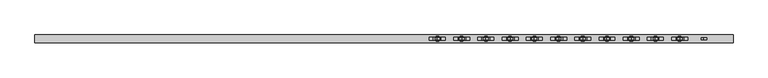
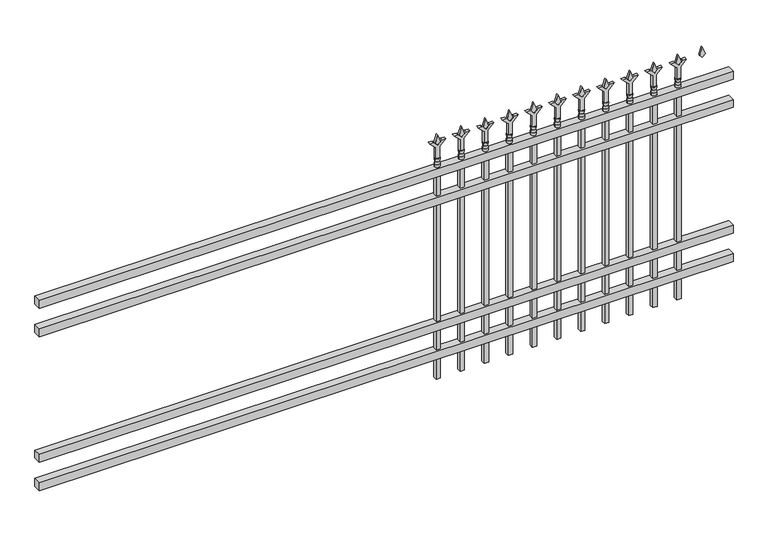
"""IFC4 building model written with IfcOpenShell, lengths in millimetres: railing geometry."""

from ifc_helpers import new_model, si_unit, frame, origin, place, context, project, spatial, polyline, circle_curve, outline, extrude, source, transform, mapped, element, save
from ifc_brep_helpers import plane_surface, cylinder_surface, revolved_surface, advanced_brep


def railing_15d63360(model_context):
    return source(origin(), model_context, "Body", "SolidModel", [
        extrude(outline(polyline([(-79633.318087, -9187.1195174), (-79633.318087, -9152.1945174), (-76483.718087, -9152.1945174), (-76483.718087, -9187.1195174), (-79633.318087, -9187.1195174)])), frame((0.0, 0.0, 1028.7), z_axis=(0.0, 0.0, 1.0), x_axis=(1.0, 0.0, 0.0)), (0.0, 0.0, 1.0), 38.1),
        extrude(outline(polyline([(-79633.318087, -9187.1195174), (-79633.318087, -9152.1945174), (-76483.718087, -9152.1945174), (-76483.718087, -9187.1195174), (-79633.318087, -9187.1195174)])), frame((0.0, 0.0, 892.175), z_axis=(0.0, 0.0, 1.0), x_axis=(1.0, 0.0, 0.0)), (0.0, 0.0, 1.0), 38.1),
        extrude(outline(polyline([(-79633.318087, -9187.1195174), (-79633.318087, -9152.1945174), (-76483.718087, -9152.1945174), (-76483.718087, -9187.1195174), (-79633.318087, -9187.1195174)])), frame((0.0, 0.0, 288.925), z_axis=(0.0, 0.0, 1.0), x_axis=(1.0, 0.0, 0.0)), (0.0, 0.0, 1.0), 38.1),
        extrude(outline(polyline([(-79633.318087, -9187.1195174), (-79633.318087, -9152.1945174), (-76483.718087, -9152.1945174), (-76483.718087, -9187.1195174), (-79633.318087, -9187.1195174)])), frame((0.0, 0.0, 152.4), z_axis=(0.0, 0.0, 1.0), x_axis=(1.0, 0.0, 0.0)), (0.0, 0.0, 1.0), 38.1),
        extrude(outline(polyline([(1183.48125, -76712.8472536), (1219.2, -76724.7535036), (1183.48125, -76736.6597536), (1171.575, -76724.7535036), (1183.48125, -76712.8472536)])), frame((0.0, -9174.4195174, 0.0), z_axis=(0.0, 1.0, 0.0), x_axis=(0.0, 0.0, 1.0)), (0.0, 0.0, 1.0), 9.525),
        extrude(outline(polyline([(1108.075, -76716.0222536), (1162.3457378, -76716.0222536), (1189.5355122, -76688.8324791), (1189.5355122, -76706.7929914), (1171.575, -76724.7535036), (1189.5355122, -76742.7140159), (1189.5355122, -76760.6745281), (1162.3457378, -76733.4847536), (1108.075, -76733.4847536), (1108.075, -76716.0222536)])), frame((0.0, -9176.0070174, 0.0), z_axis=(0.0, 1.0, 0.0), x_axis=(0.0, 0.0, 1.0)), (0.0, 0.0, 1.0), 12.7),
        advanced_brep(
        [(-76712.8472536, -9169.6570174, 1079.5), (-76736.6597536, -9169.6570174, 1079.5), (-76736.6597536, -9169.6570174, 1066.8), (-76712.8472536, -9169.6570174, 1066.8), (-76715.0525855, -9169.6570174, 1092.0070585), (-76734.4544218, -9169.6570174, 1092.0070585), (-76712.8472536, -9169.6570174, 1108.075), (-76736.6597536, -9169.6570174, 1108.075), (-76724.7535036, -9169.6570174, 1108.075), (-76724.7535036, -9169.6570174, 1066.8)],
        [
            (0, 1, circle_curve(frame((-76724.7535036, -9169.6570174, 1079.5), z_axis=(0.0, 0.0, -1.0), x_axis=(-1.0, 0.0, 0.0)), 11.90625)),
            (1, 2),
            (2, 3, circle_curve(frame((-76724.7535036, -9169.6570174, 1066.8), z_axis=(0.0, 0.0, 1.0), x_axis=(-1.0, 0.0, 0.0)), 11.90625)),
            (3, 0),
            (1, 0, circle_curve(frame((-76724.7535036, -9169.6570174, 1079.5), z_axis=(0.0, 0.0, -1.0), x_axis=(-1.0, 0.0, 0.0)), 11.90625)),
            (3, 2, circle_curve(frame((-76724.7535036, -9169.6570174, 1066.8), z_axis=(0.0, 0.0, 1.0), x_axis=(-1.0, 0.0, 0.0)), 11.90625)),
            (4, 5, circle_curve(frame((-76724.7535036, -9169.6570174, 1092.0070585), z_axis=(0.0, 0.0, -1.0), x_axis=(-1.0, 0.0, 0.0)), 9.7009181)),
            (5, 1),
            (0, 4),
            (5, 4, circle_curve(frame((-76724.7535036, -9169.6570174, 1092.0070585), z_axis=(0.0, 0.0, -1.0), x_axis=(-1.0, 0.0, 0.0)), 9.7009181)),
            (6, 7, circle_curve(frame((-76724.7535036, -9169.6570174, 1108.075), z_axis=(0.0, 0.0, -1.0), x_axis=(-1.0, 0.0, 0.0)), 11.90625)),
            (7, 5),
            (4, 6),
            (7, 6, circle_curve(frame((-76724.7535036, -9169.6570174, 1108.075), z_axis=(0.0, 0.0, -1.0), x_axis=(-1.0, 0.0, 0.0)), 11.90625)),
            (8, 7),
            (6, 8),
            (2, 9),
            (9, 3),
        ],
        [
            cylinder_surface(frame((-76724.7535036, -9169.6570174, 1066.8), z_axis=(0.0, 0.0, 1.0), x_axis=(-1.0, 0.0, 0.0)), 11.90625),
            revolved_surface(polyline([(-76736.6597536, -9169.6570174, 1079.5), (-76734.4544218, -9169.6570174, 1092.0070585)]), (-76724.7535036, -9169.6570174, 1066.8), (0.0, 0.0, 1.0)),
            revolved_surface(polyline([(-76734.4544218, -9169.6570174, 1092.0070585), (-76736.6597536, -9169.6570174, 1108.075)]), (-76724.7535036, -9169.6570174, 1066.8), (0.0, 0.0, 1.0)),
            plane_surface(frame((-76724.7535036, -9169.6570174, 1108.075), z_axis=(0.0, 0.0, 1.0), x_axis=(-1.0, 0.0, 0.0))),
            plane_surface(frame((-76724.7535036, -9169.6570174, 1066.8), z_axis=(0.0, 0.0, -1.0), x_axis=(-1.0, 0.0, 0.0))),
        ],
        [
            (0, [[1, 2, 3, 4]]),
            (0, [[5, -4, 6, -2]]),
            (1, [[7, 8, -1, 9]]),
            (1, [[10, -9, -5, -8]]),
            (2, [[11, 12, -7, 13]]),
            (2, [[14, -13, -10, -12]]),
            (3, [[15, -11, 16]]),
            (3, [[-16, -14, -15]]),
            (4, [[-3, 17, 18]]),
            (4, [[-6, -18, -17]]),
        ],
    ),
        extrude(outline(polyline([(-76734.2785036, -9160.1320174), (-76715.2285036, -9160.1320174), (-76715.2285036, -9179.1820174), (-76734.2785036, -9179.1820174), (-76734.2785036, -9160.1320174)])), frame((0.0, 0.0, 50.8), z_axis=(0.0, 0.0, 1.0), x_axis=(1.0, 0.0, 0.0)), (0.0, 0.0, 1.0), 1016.0),
        extrude(outline(polyline([(1183.48125, -76822.1201703), (1219.2, -76834.0264203), (1183.48125, -76845.9326703), (1171.575, -76834.0264203), (1183.48125, -76822.1201703)])), frame((0.0, -9174.4195174, 0.0), z_axis=(0.0, 1.0, 0.0), x_axis=(0.0, 0.0, 1.0)), (0.0, 0.0, 1.0), 9.525),
        extrude(outline(polyline([(1108.075, -76825.2951703), (1162.3457378, -76825.2951703), (1189.5355122, -76798.1053958), (1189.5355122, -76816.0659081), (1171.575, -76834.0264203), (1189.5355122, -76851.9869325), (1189.5355122, -76869.9474448), (1162.3457378, -76842.7576703), (1108.075, -76842.7576703), (1108.075, -76825.2951703)])), frame((0.0, -9176.0070174, 0.0), z_axis=(0.0, 1.0, 0.0), x_axis=(0.0, 0.0, 1.0)), (0.0, 0.0, 1.0), 12.7),
        advanced_brep(
        [(-76822.1201703, -9169.6570174, 1079.5), (-76845.9326703, -9169.6570174, 1079.5), (-76845.9326703, -9169.6570174, 1066.8), (-76822.1201703, -9169.6570174, 1066.8), (-76824.3255022, -9169.6570174, 1092.0070585), (-76843.7273384, -9169.6570174, 1092.0070585), (-76822.1201703, -9169.6570174, 1108.075), (-76845.9326703, -9169.6570174, 1108.075), (-76834.0264203, -9169.6570174, 1108.075), (-76834.0264203, -9169.6570174, 1066.8)],
        [
            (0, 1, circle_curve(frame((-76834.0264203, -9169.6570174, 1079.5), z_axis=(0.0, 0.0, -1.0), x_axis=(-1.0, 0.0, 0.0)), 11.90625)),
            (1, 2),
            (2, 3, circle_curve(frame((-76834.0264203, -9169.6570174, 1066.8), z_axis=(0.0, 0.0, 1.0), x_axis=(-1.0, 0.0, 0.0)), 11.90625)),
            (3, 0),
            (1, 0, circle_curve(frame((-76834.0264203, -9169.6570174, 1079.5), z_axis=(0.0, 0.0, -1.0), x_axis=(-1.0, 0.0, 0.0)), 11.90625)),
            (3, 2, circle_curve(frame((-76834.0264203, -9169.6570174, 1066.8), z_axis=(0.0, 0.0, 1.0), x_axis=(-1.0, 0.0, 0.0)), 11.90625)),
            (4, 5, circle_curve(frame((-76834.0264203, -9169.6570174, 1092.0070585), z_axis=(0.0, 0.0, -1.0), x_axis=(-1.0, 0.0, 0.0)), 9.7009181)),
            (5, 1),
            (0, 4),
            (5, 4, circle_curve(frame((-76834.0264203, -9169.6570174, 1092.0070585), z_axis=(0.0, 0.0, -1.0), x_axis=(-1.0, 0.0, 0.0)), 9.7009181)),
            (6, 7, circle_curve(frame((-76834.0264203, -9169.6570174, 1108.075), z_axis=(0.0, 0.0, -1.0), x_axis=(-1.0, 0.0, 0.0)), 11.90625)),
            (7, 5),
            (4, 6),
            (7, 6, circle_curve(frame((-76834.0264203, -9169.6570174, 1108.075), z_axis=(0.0, 0.0, -1.0), x_axis=(-1.0, 0.0, 0.0)), 11.90625)),
            (8, 7),
            (6, 8),
            (2, 9),
            (9, 3),
        ],
        [
            cylinder_surface(frame((-76834.0264203, -9169.6570174, 1066.8), z_axis=(0.0, 0.0, 1.0), x_axis=(-1.0, 0.0, 0.0)), 11.90625),
            revolved_surface(polyline([(-76845.9326703, -9169.6570174, 1079.5), (-76843.7273384, -9169.6570174, 1092.0070585)]), (-76834.0264203, -9169.6570174, 1066.8), (0.0, 0.0, 1.0)),
            revolved_surface(polyline([(-76843.7273384, -9169.6570174, 1092.0070585), (-76845.9326703, -9169.6570174, 1108.075)]), (-76834.0264203, -9169.6570174, 1066.8), (0.0, 0.0, 1.0)),
            plane_surface(frame((-76834.0264203, -9169.6570174, 1108.075), z_axis=(0.0, 0.0, 1.0), x_axis=(-1.0, 0.0, 0.0))),
            plane_surface(frame((-76834.0264203, -9169.6570174, 1066.8), z_axis=(0.0, 0.0, -1.0), x_axis=(-1.0, 0.0, 0.0))),
        ],
        [
            (0, [[1, 2, 3, 4]]),
            (0, [[5, -4, 6, -2]]),
            (1, [[7, 8, -1, 9]]),
            (1, [[10, -9, -5, -8]]),
            (2, [[11, 12, -7, 13]]),
            (2, [[14, -13, -10, -12]]),
            (3, [[15, -11, 16]]),
            (3, [[-16, -14, -15]]),
            (4, [[-3, 17, 18]]),
            (4, [[-6, -18, -17]]),
        ],
    ),
        extrude(outline(polyline([(-76843.5514203, -9160.1320174), (-76824.5014203, -9160.1320174), (-76824.5014203, -9179.1820174), (-76843.5514203, -9179.1820174), (-76843.5514203, -9160.1320174)])), frame((0.0, 0.0, 50.8), z_axis=(0.0, 0.0, 1.0), x_axis=(1.0, 0.0, 0.0)), (0.0, 0.0, 1.0), 1016.0),
        extrude(outline(polyline([(1183.48125, -76931.393087), (1219.2, -76943.299337), (1183.48125, -76955.205587), (1171.575, -76943.299337), (1183.48125, -76931.393087)])), frame((0.0, -9174.4195174, 0.0), z_axis=(0.0, 1.0, 0.0), x_axis=(0.0, 0.0, 1.0)), (0.0, 0.0, 1.0), 9.525),
        extrude(outline(polyline([(1108.075, -76934.568087), (1162.3457378, -76934.568087), (1189.5355122, -76907.3783125), (1189.5355122, -76925.3388247), (1171.575, -76943.299337), (1189.5355122, -76961.2598492), (1189.5355122, -76979.2203614), (1162.3457378, -76952.030587), (1108.075, -76952.030587), (1108.075, -76934.568087)])), frame((0.0, -9176.0070174, 0.0), z_axis=(0.0, 1.0, 0.0), x_axis=(0.0, 0.0, 1.0)), (0.0, 0.0, 1.0), 12.7),
        advanced_brep(
        [(-76931.393087, -9169.6570174, 1079.5), (-76955.205587, -9169.6570174, 1079.5), (-76955.205587, -9169.6570174, 1066.8), (-76931.393087, -9169.6570174, 1066.8), (-76933.5984188, -9169.6570174, 1092.0070585), (-76953.0002551, -9169.6570174, 1092.0070585), (-76931.393087, -9169.6570174, 1108.075), (-76955.205587, -9169.6570174, 1108.075), (-76943.299337, -9169.6570174, 1108.075), (-76943.299337, -9169.6570174, 1066.8)],
        [
            (0, 1, circle_curve(frame((-76943.299337, -9169.6570174, 1079.5), z_axis=(0.0, 0.0, -1.0), x_axis=(-1.0, 0.0, 0.0)), 11.90625)),
            (1, 2),
            (2, 3, circle_curve(frame((-76943.299337, -9169.6570174, 1066.8), z_axis=(0.0, 0.0, 1.0), x_axis=(-1.0, 0.0, 0.0)), 11.90625)),
            (3, 0),
            (1, 0, circle_curve(frame((-76943.299337, -9169.6570174, 1079.5), z_axis=(0.0, 0.0, -1.0), x_axis=(-1.0, 0.0, 0.0)), 11.90625)),
            (3, 2, circle_curve(frame((-76943.299337, -9169.6570174, 1066.8), z_axis=(0.0, 0.0, 1.0), x_axis=(-1.0, 0.0, 0.0)), 11.90625)),
            (4, 5, circle_curve(frame((-76943.299337, -9169.6570174, 1092.0070585), z_axis=(0.0, 0.0, -1.0), x_axis=(-1.0, 0.0, 0.0)), 9.7009181)),
            (5, 1),
            (0, 4),
            (5, 4, circle_curve(frame((-76943.299337, -9169.6570174, 1092.0070585), z_axis=(0.0, 0.0, -1.0), x_axis=(-1.0, 0.0, 0.0)), 9.7009181)),
            (6, 7, circle_curve(frame((-76943.299337, -9169.6570174, 1108.075), z_axis=(0.0, 0.0, -1.0), x_axis=(-1.0, 0.0, 0.0)), 11.90625)),
            (7, 5),
            (4, 6),
            (7, 6, circle_curve(frame((-76943.299337, -9169.6570174, 1108.075), z_axis=(0.0, 0.0, -1.0), x_axis=(-1.0, 0.0, 0.0)), 11.90625)),
            (8, 7),
            (6, 8),
            (2, 9),
            (9, 3),
        ],
        [
            cylinder_surface(frame((-76943.299337, -9169.6570174, 1066.8), z_axis=(0.0, 0.0, 1.0), x_axis=(-1.0, 0.0, 0.0)), 11.90625),
            revolved_surface(polyline([(-76955.205587, -9169.6570174, 1079.5), (-76953.0002551, -9169.6570174, 1092.0070585)]), (-76943.299337, -9169.6570174, 1066.8), (0.0, 0.0, 1.0)),
            revolved_surface(polyline([(-76953.0002551, -9169.6570174, 1092.0070585), (-76955.205587, -9169.6570174, 1108.075)]), (-76943.299337, -9169.6570174, 1066.8), (0.0, 0.0, 1.0)),
            plane_surface(frame((-76943.299337, -9169.6570174, 1108.075), z_axis=(0.0, 0.0, 1.0), x_axis=(-1.0, 0.0, 0.0))),
            plane_surface(frame((-76943.299337, -9169.6570174, 1066.8), z_axis=(0.0, 0.0, -1.0), x_axis=(-1.0, 0.0, 0.0))),
        ],
        [
            (0, [[1, 2, 3, 4]]),
            (0, [[5, -4, 6, -2]]),
            (1, [[7, 8, -1, 9]]),
            (1, [[10, -9, -5, -8]]),
            (2, [[11, 12, -7, 13]]),
            (2, [[14, -13, -10, -12]]),
            (3, [[15, -11, 16]]),
            (3, [[-16, -14, -15]]),
            (4, [[-3, 17, 18]]),
            (4, [[-6, -18, -17]]),
        ],
    ),
        extrude(outline(polyline([(-76952.824337, -9160.1320174), (-76933.774337, -9160.1320174), (-76933.774337, -9179.1820174), (-76952.824337, -9179.1820174), (-76952.824337, -9160.1320174)])), frame((0.0, 0.0, 50.8), z_axis=(0.0, 0.0, 1.0), x_axis=(1.0, 0.0, 0.0)), (0.0, 0.0, 1.0), 1016.0),
        extrude(outline(polyline([(1183.48125, -77040.6660036), (1219.2, -77052.5722536), (1183.48125, -77064.4785036), (1171.575, -77052.5722536), (1183.48125, -77040.6660036)])), frame((0.0, -9174.4195174, 0.0), z_axis=(0.0, 1.0, 0.0), x_axis=(0.0, 0.0, 1.0)), (0.0, 0.0, 1.0), 9.525),
        extrude(outline(polyline([(1108.075, -77043.8410036), (1162.3457378, -77043.8410036), (1189.5355122, -77016.6512291), (1189.5355122, -77034.6117414), (1171.575, -77052.5722536), (1189.5355122, -77070.5327659), (1189.5355122, -77088.4932781), (1162.3457378, -77061.3035036), (1108.075, -77061.3035036), (1108.075, -77043.8410036)])), frame((0.0, -9176.0070174, 0.0), z_axis=(0.0, 1.0, 0.0), x_axis=(0.0, 0.0, 1.0)), (0.0, 0.0, 1.0), 12.7),
        advanced_brep(
        [(-77040.6660036, -9169.6570174, 1079.5), (-77064.4785036, -9169.6570174, 1079.5), (-77064.4785036, -9169.6570174, 1066.8), (-77040.6660036, -9169.6570174, 1066.8), (-77042.8713355, -9169.6570174, 1092.0070585), (-77062.2731718, -9169.6570174, 1092.0070585), (-77040.6660036, -9169.6570174, 1108.075), (-77064.4785036, -9169.6570174, 1108.075), (-77052.5722536, -9169.6570174, 1108.075), (-77052.5722536, -9169.6570174, 1066.8)],
        [
            (0, 1, circle_curve(frame((-77052.5722536, -9169.6570174, 1079.5), z_axis=(0.0, 0.0, -1.0), x_axis=(-1.0, 0.0, 0.0)), 11.90625)),
            (1, 2),
            (2, 3, circle_curve(frame((-77052.5722536, -9169.6570174, 1066.8), z_axis=(0.0, 0.0, 1.0), x_axis=(-1.0, 0.0, 0.0)), 11.90625)),
            (3, 0),
            (1, 0, circle_curve(frame((-77052.5722536, -9169.6570174, 1079.5), z_axis=(0.0, 0.0, -1.0), x_axis=(-1.0, 0.0, 0.0)), 11.90625)),
            (3, 2, circle_curve(frame((-77052.5722536, -9169.6570174, 1066.8), z_axis=(0.0, 0.0, 1.0), x_axis=(-1.0, 0.0, 0.0)), 11.90625)),
            (4, 5, circle_curve(frame((-77052.5722536, -9169.6570174, 1092.0070585), z_axis=(0.0, 0.0, -1.0), x_axis=(-1.0, 0.0, 0.0)), 9.7009181)),
            (5, 1),
            (0, 4),
            (5, 4, circle_curve(frame((-77052.5722536, -9169.6570174, 1092.0070585), z_axis=(0.0, 0.0, -1.0), x_axis=(-1.0, 0.0, 0.0)), 9.7009181)),
            (6, 7, circle_curve(frame((-77052.5722536, -9169.6570174, 1108.075), z_axis=(0.0, 0.0, -1.0), x_axis=(-1.0, 0.0, 0.0)), 11.90625)),
            (7, 5),
            (4, 6),
            (7, 6, circle_curve(frame((-77052.5722536, -9169.6570174, 1108.075), z_axis=(0.0, 0.0, -1.0), x_axis=(-1.0, 0.0, 0.0)), 11.90625)),
            (8, 7),
            (6, 8),
            (2, 9),
            (9, 3),
        ],
        [
            cylinder_surface(frame((-77052.5722536, -9169.6570174, 1066.8), z_axis=(0.0, 0.0, 1.0), x_axis=(-1.0, 0.0, 0.0)), 11.90625),
            revolved_surface(polyline([(-77064.4785036, -9169.6570174, 1079.5), (-77062.2731718, -9169.6570174, 1092.0070585)]), (-77052.5722536, -9169.6570174, 1066.8), (0.0, 0.0, 1.0)),
            revolved_surface(polyline([(-77062.2731718, -9169.6570174, 1092.0070585), (-77064.4785036, -9169.6570174, 1108.075)]), (-77052.5722536, -9169.6570174, 1066.8), (0.0, 0.0, 1.0)),
            plane_surface(frame((-77052.5722536, -9169.6570174, 1108.075), z_axis=(0.0, 0.0, 1.0), x_axis=(-1.0, 0.0, 0.0))),
            plane_surface(frame((-77052.5722536, -9169.6570174, 1066.8), z_axis=(0.0, 0.0, -1.0), x_axis=(-1.0, 0.0, 0.0))),
        ],
        [
            (0, [[1, 2, 3, 4]]),
            (0, [[5, -4, 6, -2]]),
            (1, [[7, 8, -1, 9]]),
            (1, [[10, -9, -5, -8]]),
            (2, [[11, 12, -7, 13]]),
            (2, [[14, -13, -10, -12]]),
            (3, [[15, -11, 16]]),
            (3, [[-16, -14, -15]]),
            (4, [[-3, 17, 18]]),
            (4, [[-6, -18, -17]]),
        ],
    ),
        extrude(outline(polyline([(-77062.0972536, -9160.1320174), (-77043.0472536, -9160.1320174), (-77043.0472536, -9179.1820174), (-77062.0972536, -9179.1820174), (-77062.0972536, -9160.1320174)])), frame((0.0, 0.0, 50.8), z_axis=(0.0, 0.0, 1.0), x_axis=(1.0, 0.0, 0.0)), (0.0, 0.0, 1.0), 1016.0),
        extrude(outline(polyline([(1183.48125, -77149.9389203), (1219.2, -77161.8451703), (1183.48125, -77173.7514203), (1171.575, -77161.8451703), (1183.48125, -77149.9389203)])), frame((0.0, -9174.4195174, 0.0), z_axis=(0.0, 1.0, 0.0), x_axis=(0.0, 0.0, 1.0)), (0.0, 0.0, 1.0), 9.525),
        extrude(outline(polyline([(1108.075, -77153.1139203), (1162.3457378, -77153.1139203), (1189.5355122, -77125.9241458), (1189.5355122, -77143.8846581), (1171.575, -77161.8451703), (1189.5355122, -77179.8056825), (1189.5355122, -77197.7661948), (1162.3457378, -77170.5764203), (1108.075, -77170.5764203), (1108.075, -77153.1139203)])), frame((0.0, -9176.0070174, 0.0), z_axis=(0.0, 1.0, 0.0), x_axis=(0.0, 0.0, 1.0)), (0.0, 0.0, 1.0), 12.7),
        advanced_brep(
        [(-77149.9389203, -9169.6570174, 1079.5), (-77173.7514203, -9169.6570174, 1079.5), (-77173.7514203, -9169.6570174, 1066.8), (-77149.9389203, -9169.6570174, 1066.8), (-77152.1442522, -9169.6570174, 1092.0070585), (-77171.5460884, -9169.6570174, 1092.0070585), (-77149.9389203, -9169.6570174, 1108.075), (-77173.7514203, -9169.6570174, 1108.075), (-77161.8451703, -9169.6570174, 1108.075), (-77161.8451703, -9169.6570174, 1066.8)],
        [
            (0, 1, circle_curve(frame((-77161.8451703, -9169.6570174, 1079.5), z_axis=(0.0, 0.0, -1.0), x_axis=(-1.0, 0.0, 0.0)), 11.90625)),
            (1, 2),
            (2, 3, circle_curve(frame((-77161.8451703, -9169.6570174, 1066.8), z_axis=(0.0, 0.0, 1.0), x_axis=(-1.0, 0.0, 0.0)), 11.90625)),
            (3, 0),
            (1, 0, circle_curve(frame((-77161.8451703, -9169.6570174, 1079.5), z_axis=(0.0, 0.0, -1.0), x_axis=(-1.0, 0.0, 0.0)), 11.90625)),
            (3, 2, circle_curve(frame((-77161.8451703, -9169.6570174, 1066.8), z_axis=(0.0, 0.0, 1.0), x_axis=(-1.0, 0.0, 0.0)), 11.90625)),
            (4, 5, circle_curve(frame((-77161.8451703, -9169.6570174, 1092.0070585), z_axis=(0.0, 0.0, -1.0), x_axis=(-1.0, 0.0, 0.0)), 9.7009181)),
            (5, 1),
            (0, 4),
            (5, 4, circle_curve(frame((-77161.8451703, -9169.6570174, 1092.0070585), z_axis=(0.0, 0.0, -1.0), x_axis=(-1.0, 0.0, 0.0)), 9.7009181)),
            (6, 7, circle_curve(frame((-77161.8451703, -9169.6570174, 1108.075), z_axis=(0.0, 0.0, -1.0), x_axis=(-1.0, 0.0, 0.0)), 11.90625)),
            (7, 5),
            (4, 6),
            (7, 6, circle_curve(frame((-77161.8451703, -9169.6570174, 1108.075), z_axis=(0.0, 0.0, -1.0), x_axis=(-1.0, 0.0, 0.0)), 11.90625)),
            (8, 7),
            (6, 8),
            (2, 9),
            (9, 3),
        ],
        [
            cylinder_surface(frame((-77161.8451703, -9169.6570174, 1066.8), z_axis=(0.0, 0.0, 1.0), x_axis=(-1.0, 0.0, 0.0)), 11.90625),
            revolved_surface(polyline([(-77173.7514203, -9169.6570174, 1079.5), (-77171.5460884, -9169.6570174, 1092.0070585)]), (-77161.8451703, -9169.6570174, 1066.8), (0.0, 0.0, 1.0)),
            revolved_surface(polyline([(-77171.5460884, -9169.6570174, 1092.0070585), (-77173.7514203, -9169.6570174, 1108.075)]), (-77161.8451703, -9169.6570174, 1066.8), (0.0, 0.0, 1.0)),
            plane_surface(frame((-77161.8451703, -9169.6570174, 1108.075), z_axis=(0.0, 0.0, 1.0), x_axis=(-1.0, 0.0, 0.0))),
            plane_surface(frame((-77161.8451703, -9169.6570174, 1066.8), z_axis=(0.0, 0.0, -1.0), x_axis=(-1.0, 0.0, 0.0))),
        ],
        [
            (0, [[1, 2, 3, 4]]),
            (0, [[5, -4, 6, -2]]),
            (1, [[7, 8, -1, 9]]),
            (1, [[10, -9, -5, -8]]),
            (2, [[11, 12, -7, 13]]),
            (2, [[14, -13, -10, -12]]),
            (3, [[15, -11, 16]]),
            (3, [[-16, -14, -15]]),
            (4, [[-3, 17, 18]]),
            (4, [[-6, -18, -17]]),
        ],
    ),
        extrude(outline(polyline([(-77171.3701703, -9160.1320174), (-77152.3201703, -9160.1320174), (-77152.3201703, -9179.1820174), (-77171.3701703, -9179.1820174), (-77171.3701703, -9160.1320174)])), frame((0.0, 0.0, 50.8), z_axis=(0.0, 0.0, 1.0), x_axis=(1.0, 0.0, 0.0)), (0.0, 0.0, 1.0), 1016.0),
        extrude(outline(polyline([(1183.48125, -77259.211837), (1219.2, -77271.118087), (1183.48125, -77283.024337), (1171.575, -77271.118087), (1183.48125, -77259.211837)])), frame((0.0, -9174.4195174, 0.0), z_axis=(0.0, 1.0, 0.0), x_axis=(0.0, 0.0, 1.0)), (0.0, 0.0, 1.0), 9.525),
        extrude(outline(polyline([(1108.075, -77262.386837), (1162.3457378, -77262.386837), (1189.5355122, -77235.1970625), (1189.5355122, -77253.1575747), (1171.575, -77271.118087), (1189.5355122, -77289.0785992), (1189.5355122, -77307.0391114), (1162.3457378, -77279.849337), (1108.075, -77279.849337), (1108.075, -77262.386837)])), frame((0.0, -9176.0070174, 0.0), z_axis=(0.0, 1.0, 0.0), x_axis=(0.0, 0.0, 1.0)), (0.0, 0.0, 1.0), 12.7),
        advanced_brep(
        [(-77259.211837, -9169.6570174, 1079.5), (-77283.024337, -9169.6570174, 1079.5), (-77283.024337, -9169.6570174, 1066.8), (-77259.211837, -9169.6570174, 1066.8), (-77261.4171688, -9169.6570174, 1092.0070585), (-77280.8190051, -9169.6570174, 1092.0070585), (-77259.211837, -9169.6570174, 1108.075), (-77283.024337, -9169.6570174, 1108.075), (-77271.118087, -9169.6570174, 1108.075), (-77271.118087, -9169.6570174, 1066.8)],
        [
            (0, 1, circle_curve(frame((-77271.118087, -9169.6570174, 1079.5), z_axis=(0.0, 0.0, -1.0), x_axis=(-1.0, 0.0, 0.0)), 11.90625)),
            (1, 2),
            (2, 3, circle_curve(frame((-77271.118087, -9169.6570174, 1066.8), z_axis=(0.0, 0.0, 1.0), x_axis=(-1.0, 0.0, 0.0)), 11.90625)),
            (3, 0),
            (1, 0, circle_curve(frame((-77271.118087, -9169.6570174, 1079.5), z_axis=(0.0, 0.0, -1.0), x_axis=(-1.0, 0.0, 0.0)), 11.90625)),
            (3, 2, circle_curve(frame((-77271.118087, -9169.6570174, 1066.8), z_axis=(0.0, 0.0, 1.0), x_axis=(-1.0, 0.0, 0.0)), 11.90625)),
            (4, 5, circle_curve(frame((-77271.118087, -9169.6570174, 1092.0070585), z_axis=(0.0, 0.0, -1.0), x_axis=(-1.0, 0.0, 0.0)), 9.7009181)),
            (5, 1),
            (0, 4),
            (5, 4, circle_curve(frame((-77271.118087, -9169.6570174, 1092.0070585), z_axis=(0.0, 0.0, -1.0), x_axis=(-1.0, 0.0, 0.0)), 9.7009181)),
            (6, 7, circle_curve(frame((-77271.118087, -9169.6570174, 1108.075), z_axis=(0.0, 0.0, -1.0), x_axis=(-1.0, 0.0, 0.0)), 11.90625)),
            (7, 5),
            (4, 6),
            (7, 6, circle_curve(frame((-77271.118087, -9169.6570174, 1108.075), z_axis=(0.0, 0.0, -1.0), x_axis=(-1.0, 0.0, 0.0)), 11.90625)),
            (8, 7),
            (6, 8),
            (2, 9),
            (9, 3),
        ],
        [
            cylinder_surface(frame((-77271.118087, -9169.6570174, 1066.8), z_axis=(0.0, 0.0, 1.0), x_axis=(-1.0, 0.0, 0.0)), 11.90625),
            revolved_surface(polyline([(-77283.024337, -9169.6570174, 1079.5), (-77280.8190051, -9169.6570174, 1092.0070585)]), (-77271.118087, -9169.6570174, 1066.8), (0.0, 0.0, 1.0)),
            revolved_surface(polyline([(-77280.8190051, -9169.6570174, 1092.0070585), (-77283.024337, -9169.6570174, 1108.075)]), (-77271.118087, -9169.6570174, 1066.8), (0.0, 0.0, 1.0)),
            plane_surface(frame((-77271.118087, -9169.6570174, 1108.075), z_axis=(0.0, 0.0, 1.0), x_axis=(-1.0, 0.0, 0.0))),
            plane_surface(frame((-77271.118087, -9169.6570174, 1066.8), z_axis=(0.0, 0.0, -1.0), x_axis=(-1.0, 0.0, 0.0))),
        ],
        [
            (0, [[1, 2, 3, 4]]),
            (0, [[5, -4, 6, -2]]),
            (1, [[7, 8, -1, 9]]),
            (1, [[10, -9, -5, -8]]),
            (2, [[11, 12, -7, 13]]),
            (2, [[14, -13, -10, -12]]),
            (3, [[15, -11, 16]]),
            (3, [[-16, -14, -15]]),
            (4, [[-3, 17, 18]]),
            (4, [[-6, -18, -17]]),
        ],
    ),
        extrude(outline(polyline([(-77280.643087, -9160.1320174), (-77261.593087, -9160.1320174), (-77261.593087, -9179.1820174), (-77280.643087, -9179.1820174), (-77280.643087, -9160.1320174)])), frame((0.0, 0.0, 50.8), z_axis=(0.0, 0.0, 1.0), x_axis=(1.0, 0.0, 0.0)), (0.0, 0.0, 1.0), 1016.0),
        extrude(outline(polyline([(1183.48125, -77368.4847536), (1219.2, -77380.3910036), (1183.48125, -77392.2972536), (1171.575, -77380.3910036), (1183.48125, -77368.4847536)])), frame((0.0, -9174.4195174, 0.0), z_axis=(0.0, 1.0, 0.0), x_axis=(0.0, 0.0, 1.0)), (0.0, 0.0, 1.0), 9.525),
        extrude(outline(polyline([(1108.075, -77371.6597536), (1162.3457378, -77371.6597536), (1189.5355122, -77344.4699791), (1189.5355122, -77362.4304914), (1171.575, -77380.3910036), (1189.5355122, -77398.3515159), (1189.5355122, -77416.3120281), (1162.3457378, -77389.1222536), (1108.075, -77389.1222536), (1108.075, -77371.6597536)])), frame((0.0, -9176.0070174, 0.0), z_axis=(0.0, 1.0, 0.0), x_axis=(0.0, 0.0, 1.0)), (0.0, 0.0, 1.0), 12.7),
        advanced_brep(
        [(-77368.4847536, -9169.6570174, 1079.5), (-77392.2972536, -9169.6570174, 1079.5), (-77392.2972536, -9169.6570174, 1066.8), (-77368.4847536, -9169.6570174, 1066.8), (-77370.6900855, -9169.6570174, 1092.0070585), (-77390.0919218, -9169.6570174, 1092.0070585), (-77368.4847536, -9169.6570174, 1108.075), (-77392.2972536, -9169.6570174, 1108.075), (-77380.3910036, -9169.6570174, 1108.075), (-77380.3910036, -9169.6570174, 1066.8)],
        [
            (0, 1, circle_curve(frame((-77380.3910036, -9169.6570174, 1079.5), z_axis=(0.0, 0.0, -1.0), x_axis=(-1.0, 0.0, 0.0)), 11.90625)),
            (1, 2),
            (2, 3, circle_curve(frame((-77380.3910036, -9169.6570174, 1066.8), z_axis=(0.0, 0.0, 1.0), x_axis=(-1.0, 0.0, 0.0)), 11.90625)),
            (3, 0),
            (1, 0, circle_curve(frame((-77380.3910036, -9169.6570174, 1079.5), z_axis=(0.0, 0.0, -1.0), x_axis=(-1.0, 0.0, 0.0)), 11.90625)),
            (3, 2, circle_curve(frame((-77380.3910036, -9169.6570174, 1066.8), z_axis=(0.0, 0.0, 1.0), x_axis=(-1.0, 0.0, 0.0)), 11.90625)),
            (4, 5, circle_curve(frame((-77380.3910036, -9169.6570174, 1092.0070585), z_axis=(0.0, 0.0, -1.0), x_axis=(-1.0, 0.0, 0.0)), 9.7009181)),
            (5, 1),
            (0, 4),
            (5, 4, circle_curve(frame((-77380.3910036, -9169.6570174, 1092.0070585), z_axis=(0.0, 0.0, -1.0), x_axis=(-1.0, 0.0, 0.0)), 9.7009181)),
            (6, 7, circle_curve(frame((-77380.3910036, -9169.6570174, 1108.075), z_axis=(0.0, 0.0, -1.0), x_axis=(-1.0, 0.0, 0.0)), 11.90625)),
            (7, 5),
            (4, 6),
            (7, 6, circle_curve(frame((-77380.3910036, -9169.6570174, 1108.075), z_axis=(0.0, 0.0, -1.0), x_axis=(-1.0, 0.0, 0.0)), 11.90625)),
            (8, 7),
            (6, 8),
            (2, 9),
            (9, 3),
        ],
        [
            cylinder_surface(frame((-77380.3910036, -9169.6570174, 1066.8), z_axis=(0.0, 0.0, 1.0), x_axis=(-1.0, 0.0, 0.0)), 11.90625),
            revolved_surface(polyline([(-77392.2972536, -9169.6570174, 1079.5), (-77390.0919218, -9169.6570174, 1092.0070585)]), (-77380.3910036, -9169.6570174, 1066.8), (0.0, 0.0, 1.0)),
            revolved_surface(polyline([(-77390.0919218, -9169.6570174, 1092.0070585), (-77392.2972536, -9169.6570174, 1108.075)]), (-77380.3910036, -9169.6570174, 1066.8), (0.0, 0.0, 1.0)),
            plane_surface(frame((-77380.3910036, -9169.6570174, 1108.075), z_axis=(0.0, 0.0, 1.0), x_axis=(-1.0, 0.0, 0.0))),
            plane_surface(frame((-77380.3910036, -9169.6570174, 1066.8), z_axis=(0.0, 0.0, -1.0), x_axis=(-1.0, 0.0, 0.0))),
        ],
        [
            (0, [[1, 2, 3, 4]]),
            (0, [[5, -4, 6, -2]]),
            (1, [[7, 8, -1, 9]]),
            (1, [[10, -9, -5, -8]]),
            (2, [[11, 12, -7, 13]]),
            (2, [[14, -13, -10, -12]]),
            (3, [[15, -11, 16]]),
            (3, [[-16, -14, -15]]),
            (4, [[-3, 17, 18]]),
            (4, [[-6, -18, -17]]),
        ],
    ),
        extrude(outline(polyline([(-77389.9160036, -9160.1320174), (-77370.8660036, -9160.1320174), (-77370.8660036, -9179.1820174), (-77389.9160036, -9179.1820174), (-77389.9160036, -9160.1320174)])), frame((0.0, 0.0, 50.8), z_axis=(0.0, 0.0, 1.0), x_axis=(1.0, 0.0, 0.0)), (0.0, 0.0, 1.0), 1016.0),
        extrude(outline(polyline([(1183.48125, -77477.7576703), (1219.2, -77489.6639203), (1183.48125, -77501.5701703), (1171.575, -77489.6639203), (1183.48125, -77477.7576703)])), frame((0.0, -9174.4195174, 0.0), z_axis=(0.0, 1.0, 0.0), x_axis=(0.0, 0.0, 1.0)), (0.0, 0.0, 1.0), 9.525),
        extrude(outline(polyline([(1108.075, -77480.9326703), (1162.3457378, -77480.9326703), (1189.5355122, -77453.7428958), (1189.5355122, -77471.7034081), (1171.575, -77489.6639203), (1189.5355122, -77507.6244325), (1189.5355122, -77525.5849448), (1162.3457378, -77498.3951703), (1108.075, -77498.3951703), (1108.075, -77480.9326703)])), frame((0.0, -9176.0070174, 0.0), z_axis=(0.0, 1.0, 0.0), x_axis=(0.0, 0.0, 1.0)), (0.0, 0.0, 1.0), 12.7),
        advanced_brep(
        [(-77477.7576703, -9169.6570174, 1079.5), (-77501.5701703, -9169.6570174, 1079.5), (-77501.5701703, -9169.6570174, 1066.8), (-77477.7576703, -9169.6570174, 1066.8), (-77479.9630022, -9169.6570174, 1092.0070585), (-77499.3648384, -9169.6570174, 1092.0070585), (-77477.7576703, -9169.6570174, 1108.075), (-77501.5701703, -9169.6570174, 1108.075), (-77489.6639203, -9169.6570174, 1108.075), (-77489.6639203, -9169.6570174, 1066.8)],
        [
            (0, 1, circle_curve(frame((-77489.6639203, -9169.6570174, 1079.5), z_axis=(0.0, 0.0, -1.0), x_axis=(-1.0, 0.0, 0.0)), 11.90625)),
            (1, 2),
            (2, 3, circle_curve(frame((-77489.6639203, -9169.6570174, 1066.8), z_axis=(0.0, 0.0, 1.0), x_axis=(-1.0, 0.0, 0.0)), 11.90625)),
            (3, 0),
            (1, 0, circle_curve(frame((-77489.6639203, -9169.6570174, 1079.5), z_axis=(0.0, 0.0, -1.0), x_axis=(-1.0, 0.0, 0.0)), 11.90625)),
            (3, 2, circle_curve(frame((-77489.6639203, -9169.6570174, 1066.8), z_axis=(0.0, 0.0, 1.0), x_axis=(-1.0, 0.0, 0.0)), 11.90625)),
            (4, 5, circle_curve(frame((-77489.6639203, -9169.6570174, 1092.0070585), z_axis=(0.0, 0.0, -1.0), x_axis=(-1.0, 0.0, 0.0)), 9.7009181)),
            (5, 1),
            (0, 4),
            (5, 4, circle_curve(frame((-77489.6639203, -9169.6570174, 1092.0070585), z_axis=(0.0, 0.0, -1.0), x_axis=(-1.0, 0.0, 0.0)), 9.7009181)),
            (6, 7, circle_curve(frame((-77489.6639203, -9169.6570174, 1108.075), z_axis=(0.0, 0.0, -1.0), x_axis=(-1.0, 0.0, 0.0)), 11.90625)),
            (7, 5),
            (4, 6),
            (7, 6, circle_curve(frame((-77489.6639203, -9169.6570174, 1108.075), z_axis=(0.0, 0.0, -1.0), x_axis=(-1.0, 0.0, 0.0)), 11.90625)),
            (8, 7),
            (6, 8),
            (2, 9),
            (9, 3),
        ],
        [
            cylinder_surface(frame((-77489.6639203, -9169.6570174, 1066.8), z_axis=(0.0, 0.0, 1.0), x_axis=(-1.0, 0.0, 0.0)), 11.90625),
            revolved_surface(polyline([(-77501.5701703, -9169.6570174, 1079.5), (-77499.3648384, -9169.6570174, 1092.0070585)]), (-77489.6639203, -9169.6570174, 1066.8), (0.0, 0.0, 1.0)),
            revolved_surface(polyline([(-77499.3648384, -9169.6570174, 1092.0070585), (-77501.5701703, -9169.6570174, 1108.075)]), (-77489.6639203, -9169.6570174, 1066.8), (0.0, 0.0, 1.0)),
            plane_surface(frame((-77489.6639203, -9169.6570174, 1108.075), z_axis=(0.0, 0.0, 1.0), x_axis=(-1.0, 0.0, 0.0))),
            plane_surface(frame((-77489.6639203, -9169.6570174, 1066.8), z_axis=(0.0, 0.0, -1.0), x_axis=(-1.0, 0.0, 0.0))),
        ],
        [
            (0, [[1, 2, 3, 4]]),
            (0, [[5, -4, 6, -2]]),
            (1, [[7, 8, -1, 9]]),
            (1, [[10, -9, -5, -8]]),
            (2, [[11, 12, -7, 13]]),
            (2, [[14, -13, -10, -12]]),
            (3, [[15, -11, 16]]),
            (3, [[-16, -14, -15]]),
            (4, [[-3, 17, 18]]),
            (4, [[-6, -18, -17]]),
        ],
    ),
        extrude(outline(polyline([(-77499.1889203, -9160.1320174), (-77480.1389203, -9160.1320174), (-77480.1389203, -9179.1820174), (-77499.1889203, -9179.1820174), (-77499.1889203, -9160.1320174)])), frame((0.0, 0.0, 50.8), z_axis=(0.0, 0.0, 1.0), x_axis=(1.0, 0.0, 0.0)), (0.0, 0.0, 1.0), 1016.0),
        extrude(outline(polyline([(1183.48125, -77587.030587), (1219.2, -77598.936837), (1183.48125, -77610.843087), (1171.575, -77598.936837), (1183.48125, -77587.030587)])), frame((0.0, -9174.4195174, 0.0), z_axis=(0.0, 1.0, 0.0), x_axis=(0.0, 0.0, 1.0)), (0.0, 0.0, 1.0), 9.525),
        extrude(outline(polyline([(1108.075, -77590.205587), (1162.3457378, -77590.205587), (1189.5355122, -77563.0158125), (1189.5355122, -77580.9763247), (1171.575, -77598.936837), (1189.5355122, -77616.8973492), (1189.5355122, -77634.8578614), (1162.3457378, -77607.668087), (1108.075, -77607.668087), (1108.075, -77590.205587)])), frame((0.0, -9176.0070174, 0.0), z_axis=(0.0, 1.0, 0.0), x_axis=(0.0, 0.0, 1.0)), (0.0, 0.0, 1.0), 12.7),
        advanced_brep(
        [(-77587.030587, -9169.6570174, 1079.5), (-77610.843087, -9169.6570174, 1079.5), (-77610.843087, -9169.6570174, 1066.8), (-77587.030587, -9169.6570174, 1066.8), (-77589.2359188, -9169.6570174, 1092.0070585), (-77608.6377551, -9169.6570174, 1092.0070585), (-77587.030587, -9169.6570174, 1108.075), (-77610.843087, -9169.6570174, 1108.075), (-77598.936837, -9169.6570174, 1108.075), (-77598.936837, -9169.6570174, 1066.8)],
        [
            (0, 1, circle_curve(frame((-77598.936837, -9169.6570174, 1079.5), z_axis=(0.0, 0.0, -1.0), x_axis=(-1.0, 0.0, 0.0)), 11.90625)),
            (1, 2),
            (2, 3, circle_curve(frame((-77598.936837, -9169.6570174, 1066.8), z_axis=(0.0, 0.0, 1.0), x_axis=(-1.0, 0.0, 0.0)), 11.90625)),
            (3, 0),
            (1, 0, circle_curve(frame((-77598.936837, -9169.6570174, 1079.5), z_axis=(0.0, 0.0, -1.0), x_axis=(-1.0, 0.0, 0.0)), 11.90625)),
            (3, 2, circle_curve(frame((-77598.936837, -9169.6570174, 1066.8), z_axis=(0.0, 0.0, 1.0), x_axis=(-1.0, 0.0, 0.0)), 11.90625)),
            (4, 5, circle_curve(frame((-77598.936837, -9169.6570174, 1092.0070585), z_axis=(0.0, 0.0, -1.0), x_axis=(-1.0, 0.0, 0.0)), 9.7009181)),
            (5, 1),
            (0, 4),
            (5, 4, circle_curve(frame((-77598.936837, -9169.6570174, 1092.0070585), z_axis=(0.0, 0.0, -1.0), x_axis=(-1.0, 0.0, 0.0)), 9.7009181)),
            (6, 7, circle_curve(frame((-77598.936837, -9169.6570174, 1108.075), z_axis=(0.0, 0.0, -1.0), x_axis=(-1.0, 0.0, 0.0)), 11.90625)),
            (7, 5),
            (4, 6),
            (7, 6, circle_curve(frame((-77598.936837, -9169.6570174, 1108.075), z_axis=(0.0, 0.0, -1.0), x_axis=(-1.0, 0.0, 0.0)), 11.90625)),
            (8, 7),
            (6, 8),
            (2, 9),
            (9, 3),
        ],
        [
            cylinder_surface(frame((-77598.936837, -9169.6570174, 1066.8), z_axis=(0.0, 0.0, 1.0), x_axis=(-1.0, 0.0, 0.0)), 11.90625),
            revolved_surface(polyline([(-77610.843087, -9169.6570174, 1079.5), (-77608.6377551, -9169.6570174, 1092.0070585)]), (-77598.936837, -9169.6570174, 1066.8), (0.0, 0.0, 1.0)),
            revolved_surface(polyline([(-77608.6377551, -9169.6570174, 1092.0070585), (-77610.843087, -9169.6570174, 1108.075)]), (-77598.936837, -9169.6570174, 1066.8), (0.0, 0.0, 1.0)),
            plane_surface(frame((-77598.936837, -9169.6570174, 1108.075), z_axis=(0.0, 0.0, 1.0), x_axis=(-1.0, 0.0, 0.0))),
            plane_surface(frame((-77598.936837, -9169.6570174, 1066.8), z_axis=(0.0, 0.0, -1.0), x_axis=(-1.0, 0.0, 0.0))),
        ],
        [
            (0, [[1, 2, 3, 4]]),
            (0, [[5, -4, 6, -2]]),
            (1, [[7, 8, -1, 9]]),
            (1, [[10, -9, -5, -8]]),
            (2, [[11, 12, -7, 13]]),
            (2, [[14, -13, -10, -12]]),
            (3, [[15, -11, 16]]),
            (3, [[-16, -14, -15]]),
            (4, [[-3, 17, 18]]),
            (4, [[-6, -18, -17]]),
        ],
    ),
        extrude(outline(polyline([(-77608.461837, -9160.1320174), (-77589.411837, -9160.1320174), (-77589.411837, -9179.1820174), (-77608.461837, -9179.1820174), (-77608.461837, -9160.1320174)])), frame((0.0, 0.0, 50.8), z_axis=(0.0, 0.0, 1.0), x_axis=(1.0, 0.0, 0.0)), (0.0, 0.0, 1.0), 1016.0),
        extrude(outline(polyline([(1183.48125, -77696.3035036), (1219.2, -77708.2097536), (1183.48125, -77720.1160036), (1171.575, -77708.2097536), (1183.48125, -77696.3035036)])), frame((0.0, -9174.4195174, 0.0), z_axis=(0.0, 1.0, 0.0), x_axis=(0.0, 0.0, 1.0)), (0.0, 0.0, 1.0), 9.525),
        extrude(outline(polyline([(1108.075, -77699.4785036), (1162.3457378, -77699.4785036), (1189.5355122, -77672.2887291), (1189.5355122, -77690.2492414), (1171.575, -77708.2097536), (1189.5355122, -77726.1702659), (1189.5355122, -77744.1307781), (1162.3457378, -77716.9410036), (1108.075, -77716.9410036), (1108.075, -77699.4785036)])), frame((0.0, -9176.0070174, 0.0), z_axis=(0.0, 1.0, 0.0), x_axis=(0.0, 0.0, 1.0)), (0.0, 0.0, 1.0), 12.7),
        advanced_brep(
        [(-77696.3035036, -9169.6570174, 1079.5), (-77720.1160036, -9169.6570174, 1079.5), (-77720.1160036, -9169.6570174, 1066.8), (-77696.3035036, -9169.6570174, 1066.8), (-77698.5088355, -9169.6570174, 1092.0070585), (-77717.9106718, -9169.6570174, 1092.0070585), (-77696.3035036, -9169.6570174, 1108.075), (-77720.1160036, -9169.6570174, 1108.075), (-77708.2097536, -9169.6570174, 1108.075), (-77708.2097536, -9169.6570174, 1066.8)],
        [
            (0, 1, circle_curve(frame((-77708.2097536, -9169.6570174, 1079.5), z_axis=(0.0, 0.0, -1.0), x_axis=(-1.0, 0.0, 0.0)), 11.90625)),
            (1, 2),
            (2, 3, circle_curve(frame((-77708.2097536, -9169.6570174, 1066.8), z_axis=(0.0, 0.0, 1.0), x_axis=(-1.0, 0.0, 0.0)), 11.90625)),
            (3, 0),
            (1, 0, circle_curve(frame((-77708.2097536, -9169.6570174, 1079.5), z_axis=(0.0, 0.0, -1.0), x_axis=(-1.0, 0.0, 0.0)), 11.90625)),
            (3, 2, circle_curve(frame((-77708.2097536, -9169.6570174, 1066.8), z_axis=(0.0, 0.0, 1.0), x_axis=(-1.0, 0.0, 0.0)), 11.90625)),
            (4, 5, circle_curve(frame((-77708.2097536, -9169.6570174, 1092.0070585), z_axis=(0.0, 0.0, -1.0), x_axis=(-1.0, 0.0, 0.0)), 9.7009181)),
            (5, 1),
            (0, 4),
            (5, 4, circle_curve(frame((-77708.2097536, -9169.6570174, 1092.0070585), z_axis=(0.0, 0.0, -1.0), x_axis=(-1.0, 0.0, 0.0)), 9.7009181)),
            (6, 7, circle_curve(frame((-77708.2097536, -9169.6570174, 1108.075), z_axis=(0.0, 0.0, -1.0), x_axis=(-1.0, 0.0, 0.0)), 11.90625)),
            (7, 5),
            (4, 6),
            (7, 6, circle_curve(frame((-77708.2097536, -9169.6570174, 1108.075), z_axis=(0.0, 0.0, -1.0), x_axis=(-1.0, 0.0, 0.0)), 11.90625)),
            (8, 7),
            (6, 8),
            (2, 9),
            (9, 3),
        ],
        [
            cylinder_surface(frame((-77708.2097536, -9169.6570174, 1066.8), z_axis=(0.0, 0.0, 1.0), x_axis=(-1.0, 0.0, 0.0)), 11.90625),
            revolved_surface(polyline([(-77720.1160036, -9169.6570174, 1079.5), (-77717.9106718, -9169.6570174, 1092.0070585)]), (-77708.2097536, -9169.6570174, 1066.8), (0.0, 0.0, 1.0)),
            revolved_surface(polyline([(-77717.9106718, -9169.6570174, 1092.0070585), (-77720.1160036, -9169.6570174, 1108.075)]), (-77708.2097536, -9169.6570174, 1066.8), (0.0, 0.0, 1.0)),
            plane_surface(frame((-77708.2097536, -9169.6570174, 1108.075), z_axis=(0.0, 0.0, 1.0), x_axis=(-1.0, 0.0, 0.0))),
            plane_surface(frame((-77708.2097536, -9169.6570174, 1066.8), z_axis=(0.0, 0.0, -1.0), x_axis=(-1.0, 0.0, 0.0))),
        ],
        [
            (0, [[1, 2, 3, 4]]),
            (0, [[5, -4, 6, -2]]),
            (1, [[7, 8, -1, 9]]),
            (1, [[10, -9, -5, -8]]),
            (2, [[11, 12, -7, 13]]),
            (2, [[14, -13, -10, -12]]),
            (3, [[15, -11, 16]]),
            (3, [[-16, -14, -15]]),
            (4, [[-3, 17, 18]]),
            (4, [[-6, -18, -17]]),
        ],
    ),
        extrude(outline(polyline([(-77717.7347536, -9160.1320174), (-77698.6847536, -9160.1320174), (-77698.6847536, -9179.1820174), (-77717.7347536, -9179.1820174), (-77717.7347536, -9160.1320174)])), frame((0.0, 0.0, 50.8), z_axis=(0.0, 0.0, 1.0), x_axis=(1.0, 0.0, 0.0)), (0.0, 0.0, 1.0), 1016.0),
        extrude(outline(polyline([(1183.48125, -77805.5764203), (1219.2, -77817.4826703), (1183.48125, -77829.3889203), (1171.575, -77817.4826703), (1183.48125, -77805.5764203)])), frame((0.0, -9174.4195174, 0.0), z_axis=(0.0, 1.0, 0.0), x_axis=(0.0, 0.0, 1.0)), (0.0, 0.0, 1.0), 9.525),
        extrude(outline(polyline([(1108.075, -77808.7514203), (1162.3457378, -77808.7514203), (1189.5355122, -77781.5616458), (1189.5355122, -77799.5221581), (1171.575, -77817.4826703), (1189.5355122, -77835.4431825), (1189.5355122, -77853.4036948), (1162.3457378, -77826.2139203), (1108.075, -77826.2139203), (1108.075, -77808.7514203)])), frame((0.0, -9176.0070174, 0.0), z_axis=(0.0, 1.0, 0.0), x_axis=(0.0, 0.0, 1.0)), (0.0, 0.0, 1.0), 12.7),
        advanced_brep(
        [(-77805.5764203, -9169.6570174, 1079.5), (-77829.3889203, -9169.6570174, 1079.5), (-77829.3889203, -9169.6570174, 1066.8), (-77805.5764203, -9169.6570174, 1066.8), (-77807.7817522, -9169.6570174, 1092.0070585), (-77827.1835884, -9169.6570174, 1092.0070585), (-77805.5764203, -9169.6570174, 1108.075), (-77829.3889203, -9169.6570174, 1108.075), (-77817.4826703, -9169.6570174, 1108.075), (-77817.4826703, -9169.6570174, 1066.8)],
        [
            (0, 1, circle_curve(frame((-77817.4826703, -9169.6570174, 1079.5), z_axis=(0.0, 0.0, -1.0), x_axis=(-1.0, 0.0, 0.0)), 11.90625)),
            (1, 2),
            (2, 3, circle_curve(frame((-77817.4826703, -9169.6570174, 1066.8), z_axis=(0.0, 0.0, 1.0), x_axis=(-1.0, 0.0, 0.0)), 11.90625)),
            (3, 0),
            (1, 0, circle_curve(frame((-77817.4826703, -9169.6570174, 1079.5), z_axis=(0.0, 0.0, -1.0), x_axis=(-1.0, 0.0, 0.0)), 11.90625)),
            (3, 2, circle_curve(frame((-77817.4826703, -9169.6570174, 1066.8), z_axis=(0.0, 0.0, 1.0), x_axis=(-1.0, 0.0, 0.0)), 11.90625)),
            (4, 5, circle_curve(frame((-77817.4826703, -9169.6570174, 1092.0070585), z_axis=(0.0, 0.0, -1.0), x_axis=(-1.0, 0.0, 0.0)), 9.7009181)),
            (5, 1),
            (0, 4),
            (5, 4, circle_curve(frame((-77817.4826703, -9169.6570174, 1092.0070585), z_axis=(0.0, 0.0, -1.0), x_axis=(-1.0, 0.0, 0.0)), 9.7009181)),
            (6, 7, circle_curve(frame((-77817.4826703, -9169.6570174, 1108.075), z_axis=(0.0, 0.0, -1.0), x_axis=(-1.0, 0.0, 0.0)), 11.90625)),
            (7, 5),
            (4, 6),
            (7, 6, circle_curve(frame((-77817.4826703, -9169.6570174, 1108.075), z_axis=(0.0, 0.0, -1.0), x_axis=(-1.0, 0.0, 0.0)), 11.90625)),
            (8, 7),
            (6, 8),
            (2, 9),
            (9, 3),
        ],
        [
            cylinder_surface(frame((-77817.4826703, -9169.6570174, 1066.8), z_axis=(0.0, 0.0, 1.0), x_axis=(-1.0, 0.0, 0.0)), 11.90625),
            revolved_surface(polyline([(-77829.3889203, -9169.6570174, 1079.5), (-77827.1835884, -9169.6570174, 1092.0070585)]), (-77817.4826703, -9169.6570174, 1066.8), (0.0, 0.0, 1.0)),
            revolved_surface(polyline([(-77827.1835884, -9169.6570174, 1092.0070585), (-77829.3889203, -9169.6570174, 1108.075)]), (-77817.4826703, -9169.6570174, 1066.8), (0.0, 0.0, 1.0)),
            plane_surface(frame((-77817.4826703, -9169.6570174, 1108.075), z_axis=(0.0, 0.0, 1.0), x_axis=(-1.0, 0.0, 0.0))),
            plane_surface(frame((-77817.4826703, -9169.6570174, 1066.8), z_axis=(0.0, 0.0, -1.0), x_axis=(-1.0, 0.0, 0.0))),
        ],
        [
            (0, [[1, 2, 3, 4]]),
            (0, [[5, -4, 6, -2]]),
            (1, [[7, 8, -1, 9]]),
            (1, [[10, -9, -5, -8]]),
            (2, [[11, 12, -7, 13]]),
            (2, [[14, -13, -10, -12]]),
            (3, [[15, -11, 16]]),
            (3, [[-16, -14, -15]]),
            (4, [[-3, 17, 18]]),
            (4, [[-6, -18, -17]]),
        ],
    ),
        extrude(outline(polyline([(-77827.0076703, -9160.1320174), (-77807.9576703, -9160.1320174), (-77807.9576703, -9179.1820174), (-77827.0076703, -9179.1820174), (-77827.0076703, -9160.1320174)])), frame((0.0, 0.0, 50.8), z_axis=(0.0, 0.0, 1.0), x_axis=(1.0, 0.0, 0.0)), (0.0, 0.0, 1.0), 1016.0),
        extrude(outline(polyline([(1183.48125, -76603.574337), (1219.2, -76615.480587), (1183.48125, -76627.386837), (1171.575, -76615.480587), (1183.48125, -76603.574337)])), frame((0.0, -9174.4195174, 0.0), z_axis=(0.0, 1.0, 0.0), x_axis=(0.0, 0.0, 1.0)), (0.0, 0.0, 1.0), 9.525),
    ])


if __name__ == "__main__":
    model = new_model("IFC4")
    model_context = context("Model", 3, world=origin())
    ifc_project = project(units=[si_unit("LENGTHUNIT", "METRE", prefix="MILLI")], contexts=[model_context])
    site = spatial("IfcSite", under=ifc_project)
    building = spatial("IfcBuilding", under=site)
    placement = place(None, origin())
    railing_shape = railing_15d63360(model_context)
    element("IfcRailing", 1, at=placement, inside=building, context=model_context, shape_type="MappedRepresentation", body=[
        mapped(railing_shape, transform((0.0, 0.0, 0.0), x_axis=(1.0, 0.0, 0.0), y_axis=(0.0, 1.0, 0.0), z_axis=(0.0, 0.0, 1.0))),
    ])
    save(model, "model.ifc")
